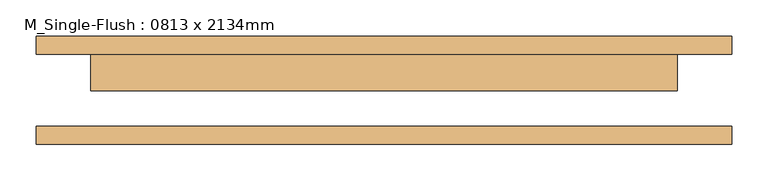
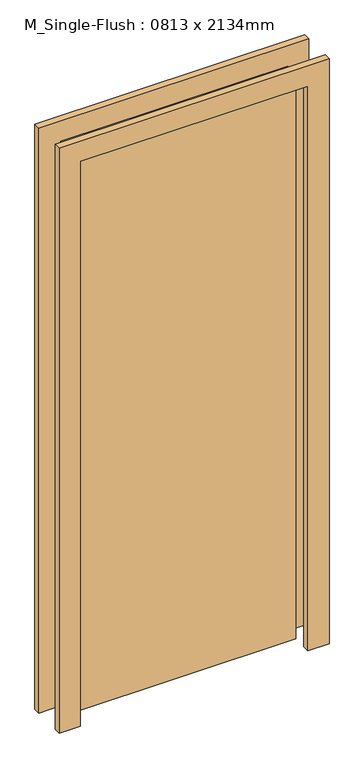
"""IFC4 building model written with IfcOpenShell, lengths in millimetres: door geometry, M_Single-Flush : 0813 x 2134mm."""

from ifc_helpers import new_model, si_unit, frame, origin, origin_with_axes, place, context, project, spatial, polyline, outline, extrude, source, transform, mapped, element, save


def m_single_flush_0813_x_2134mm_720118bd(model_context):
    return source(origin(), model_context, "Body", "SweptSolid", [
        extrude(outline(polyline([(2210.0, -482.5), (0.0, -482.5), (0.0, -406.5), (2134.0, -406.5), (2134.0, 406.5), (0.0, 406.5), (0.0, 482.5), (2210.0, 482.5), (2210.0, -482.5)])), frame((0.0, 50.0, 0.0), z_axis=(0.0, 1.0, 0.0), x_axis=(0.0, 0.0, 1.0)), (0.0, 0.0, 1.0), 25.0),
        extrude(outline(polyline([(2210.0, 482.5), (2210.0, -482.5), (0.0, -482.5), (0.0, -406.5), (2134.0, -406.5), (2134.0, 406.5), (0.0, 406.5), (0.0, 482.5), (2210.0, 482.5)])), frame((0.0, -75.0, 0.0), z_axis=(0.0, 1.0, 0.0), x_axis=(0.0, 0.0, 1.0)), (0.0, 0.0, 1.0), 25.0),
        extrude(outline(polyline([(406.5, -1.0), (-406.5, -1.0), (-406.5, 50.0), (406.5, 50.0), (406.5, -1.0)])), origin_with_axes(), (0.0, 0.0, 1.0), 2134.0),
    ])


if __name__ == "__main__":
    model = new_model("IFC4")
    model_context = context("Model", 3, world=origin())
    ifc_project = project(units=[si_unit("LENGTHUNIT", "METRE", prefix="MILLI")], contexts=[model_context])
    site = spatial("IfcSite", under=ifc_project)
    building = spatial("IfcBuilding", under=site)
    placement = place(None, origin())
    m_single_flush_0813_x_2134mm_shape = m_single_flush_0813_x_2134mm_720118bd(model_context)
    element("IfcDoor", 1, ObjectType="M_Single-Flush : 0813 x 2134mm", at=placement, inside=building, context=model_context, shape_type="MappedRepresentation", body=[
        mapped(m_single_flush_0813_x_2134mm_shape, transform((0.0, 0.0, 0.0), x_axis=(1.0, 0.0, 0.0), y_axis=(0.0, 1.0, 0.0), z_axis=(0.0, 0.0, 1.0))),
    ])
    save(model, "model.ifc")
